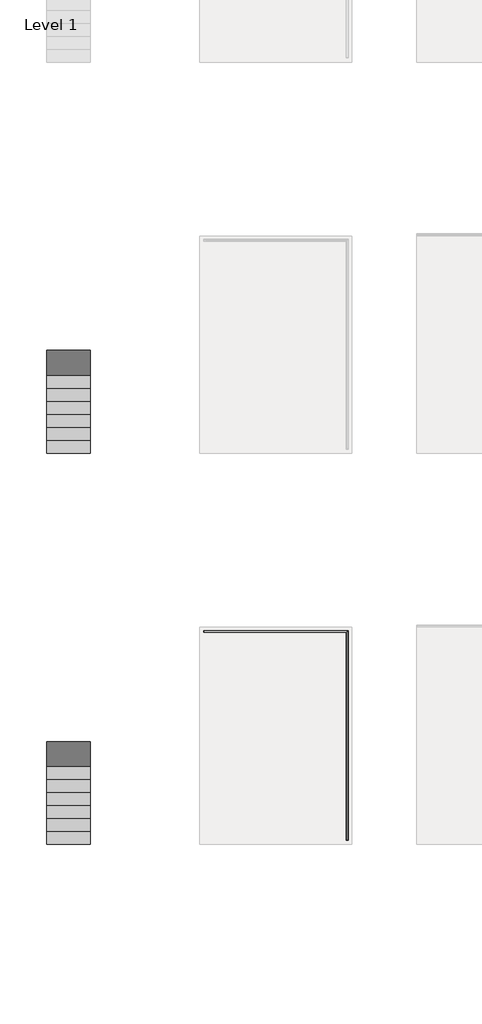
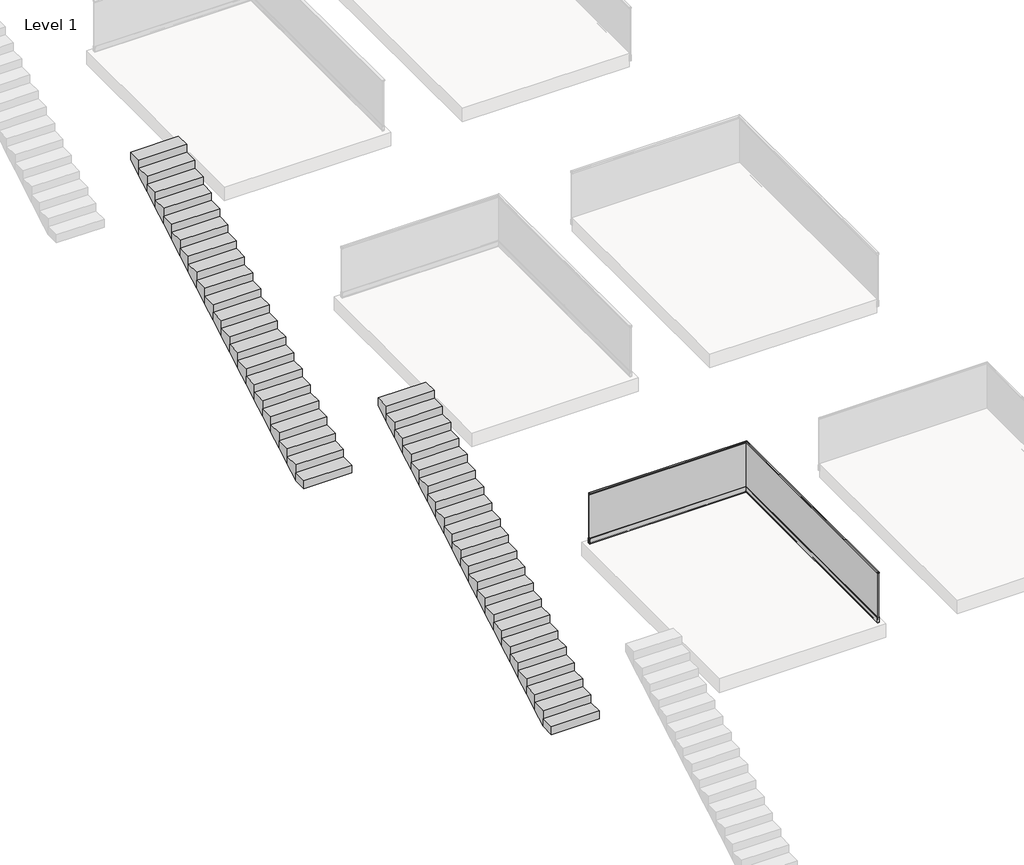
# One storey, part 4 of 11: 2 stair flights, 1 railing.
"""IFC4 building model written with IfcOpenShell, lengths in millimetres."""

from ifc_helpers import new_model, si_unit, frame, origin, place, context, project, spatial, polyline, circle_curve, ellipse_curve, outline, extrude, faceted_brep, element, save
from ifc_brep_helpers import plane_surface, cylinder_surface, revolved_surface, advanced_brep

model = new_model("IFC4")

# Units and contexts
model_context = context("Model", 3, world=origin())
ifc_project = project(units=[si_unit("LENGTHUNIT", "METRE", prefix="MILLI")], contexts=[model_context])

# Site, building, storey
site = spatial("IfcSite", under=ifc_project)
building = spatial("IfcBuilding", under=site)
storey = spatial("IfcBuildingStorey", under=building, Name="Level 1", Elevation=0.0)

# Railing
placement = place(None, origin())
element("IfcRailing", 1, at=placement, inside=storey, context=model_context, shape_type="SolidModel", body=[
    extrude(outline(polyline([(1116.25, -10255.5524845), (1116.25, -10279.5524845), (1095.25, -10279.5524845), (1095.25, -10278.0524845), (1114.75, -10278.0524845), (1114.75, -10257.0524845), (1095.25, -10257.0524845), (1095.25, -10255.5524845), (1116.25, -10255.5524845)])), frame((0.0, -49764.3362173, 0.0), z_axis=(0.0, 1.0, 0.0), x_axis=(0.0, 0.0, 1.0)), (0.0, 0.0, 1.0), 18.0),
    extrude(outline(polyline([(-10253.5524845, -49766.3362173), (-10281.5524845, -49766.3362173), (-10281.5524845, -49764.3362173), (-10253.5524845, -49764.3362173), (-10253.5524845, -49766.3362173)])), frame((0.0, 0.0, 1093.25), z_axis=(0.0, 0.0, 1.0), x_axis=(1.0, 0.0, 0.0)), (0.0, 0.0, 1.0), 25.0),
    extrude(outline(polyline([(-44975.3362173, 1116.25), (-44951.3362173, 1116.25), (-44951.3362173, 1095.25), (-44952.8362173, 1095.25), (-44952.8362173, 1114.75), (-44973.8362173, 1114.75), (-44973.8362173, 1095.25), (-44975.3362173, 1095.25), (-44975.3362173, 1116.25)])), frame((-13568.5524845, 0.0, 0.0), z_axis=(1.0, 0.0, 0.0), x_axis=(0.0, 1.0, 0.0)), (0.0, 0.0, 1.0), 18.0),
    extrude(outline(polyline([(-13570.5524845, -44977.3362173), (-13570.5524845, -44949.3362173), (-13568.5524845, -44949.3362173), (-13568.5524845, -44977.3362173), (-13570.5524845, -44977.3362173)])), frame((0.0, 0.0, 1093.25), z_axis=(0.0, 0.0, 1.0), x_axis=(1.0, 0.0, 0.0)), (0.0, 0.0, 1.0), 25.0),
    faceted_brep([(-10255.5524845, -44951.3362173, 1116.0), (-10255.5524845, -44951.3362173, 1093.5), (-10255.5524845, -49763.3362173, 1093.5), (-10255.5524845, -49763.3362173, 1116.0), (-10279.5524845, -44975.3362173, 1093.5), (-10279.5524845, -44975.3362173, 1116.0), (-10279.5524845, -49763.3362173, 1116.0), (-10279.5524845, -49763.3362173, 1093.5), (-10281.0524845, -44976.8362173, 1093.5), (-10281.0524845, -49763.3362173, 1093.5), (-10281.0524845, -44976.8362173, 1118.0), (-10281.0524845, -49763.3362173, 1118.0), (-10254.0524845, -44949.8362173, 1118.0), (-10254.0524845, -49763.3362173, 1118.0), (-10254.0524845, -44949.8362173, 1093.5), (-10254.0524845, -49763.3362173, 1093.5), (-13567.5524845, -44975.3362173, 1116.0), (-13567.5524845, -44951.3362173, 1116.0), (-13567.5524845, -44975.3362173, 1093.5), (-13567.5524845, -44976.8362173, 1093.5), (-13567.5524845, -44976.8362173, 1118.0), (-13567.5524845, -44949.8362173, 1118.0), (-13567.5524845, -44949.8362173, 1093.5), (-13567.5524845, -44951.3362173, 1093.5), (-13568.5524845, -44951.3362173, 1116.0), (-13568.5524845, -44975.3362173, 1116.0), (-13568.5524845, -44975.3362173, 1093.5), (-13568.5524845, -44976.8362173, 1093.5), (-13568.5524845, -44976.8362173, 1118.0), (-13568.5524845, -44949.8362173, 1118.0), (-13568.5524845, -44949.8362173, 1093.5), (-13568.5524845, -44951.3362173, 1093.5), (-10255.5524845, -49764.3362173, 1116.0), (-10255.5524845, -49764.3362173, 1093.5), (-10254.0524845, -49764.3362173, 1093.5), (-10254.0524845, -49764.3362173, 1118.0), (-10281.0524845, -49764.3362173, 1118.0), (-10281.0524845, -49764.3362173, 1093.5), (-10279.5524845, -49764.3362173, 1093.5), (-10279.5524845, -49764.3362173, 1116.0)], [[[0, 1, 2, 3]], [[4, 5, 6, 7]], [[5, 0, 3, 6]], [[8, 4, 7, 9]], [[10, 8, 9, 11]], [[12, 10, 11, 13]], [[14, 12, 13, 15]], [[1, 14, 15, 2]], [[16, 17, 0, 5]], [[18, 16, 5, 4]], [[19, 18, 4, 8]], [[20, 19, 8, 10]], [[21, 20, 10, 12]], [[22, 21, 12, 14]], [[23, 22, 14, 1]], [[17, 23, 1, 0]], [[24, 25, 26, 27, 28, 29, 30, 31]], [[25, 24, 17, 16]], [[26, 25, 16, 18]], [[27, 26, 18, 19]], [[28, 27, 19, 20]], [[29, 28, 20, 21]], [[30, 29, 21, 22]], [[31, 30, 22, 23]], [[24, 31, 23, 17]], [[32, 33, 34, 35, 36, 37, 38, 39]], [[6, 3, 32, 39]], [[7, 6, 39, 38]], [[9, 7, 38, 37]], [[11, 9, 37, 36]], [[13, 11, 36, 35]], [[15, 13, 35, 34]], [[2, 15, 34, 33]], [[3, 2, 33, 32]]]),
    faceted_brep([(-10258.7924845, -49763.3362173, 1113.0), (-10276.3124845, -49763.3362173, 1113.0), (-10276.3124845, -49763.3362173, 13.0), (-10258.7924845, -49763.3362173, 13.0), (-10276.3124845, -44972.0962173, 1113.0), (-10276.3124845, -44972.0962173, 13.0), (-10258.7924845, -44954.5762173, 1113.0), (-13567.5524845, -44954.5762173, 1113.0), (-13567.5524845, -44954.5762173, 13.0), (-13567.5524845, -44972.0962173, 13.0), (-13567.5524845, -44972.0962173, 1113.0), (-10258.7924845, -44954.5762173, 13.0)], [[[0, 1, 2, 3]], [[4, 5, 2, 1]], [[6, 4, 1, 0]], [[7, 8, 9, 10]], [[10, 9, 5, 4]], [[7, 10, 4, 6]], [[9, 8, 11, 5]], [[8, 7, 6, 11]], [[5, 11, 3, 2]], [[11, 6, 0, 3]]]),
    advanced_brep(
    [(-10288.5524845, -49763.3362173, 120.0004585), (-10288.5524845, -49763.3362173, 0.0), (-10246.5524845, -49763.3362173, 0.0), (-10246.5524845, -49763.3362173, 120.0), (-10252.2524845, -49763.3362173, 120.0), (-10252.2524845, -49763.3362173, 100.0), (-10251.2524845, -49763.3362173, 99.4226497), (-10255.0524845, -49763.3362173, 76.5), (-10255.0524845, -49763.3362173, 11.0), (-10256.0524845, -49763.3362173, 10.0), (-10279.0524845, -49763.3362173, 10.0), (-10280.0524845, -49763.3362173, 11.0), (-10280.0524845, -49763.3362173, 30.0), (-10284.0905991, -49763.3362173, 120.0004585), (-13567.5524845, -44984.3362173, 120.0004585), (-13567.5524845, -44979.8743319, 120.0004585), (-13567.5524845, -44975.8362173, 30.0), (-13567.5524845, -44975.8362173, 11.0), (-13567.5524845, -44974.8362173, 10.0), (-13567.5524845, -44951.8362173, 10.0), (-13567.5524845, -44950.8362173, 11.0), (-13567.5524845, -44950.8362173, 76.5), (-13567.5524845, -44947.0362173, 99.4226497), (-13567.5524845, -44948.0362173, 100.0), (-13567.5524845, -44948.0362173, 120.0), (-13567.5524845, -44942.3362173, 120.0), (-13567.5524845, -44942.3362173, 0.0), (-13567.5524845, -44984.3362173, 0.0), (-10288.5524845, -44984.3362173, 120.0004585), (-10284.0905991, -44979.8743319, 120.0004585), (-10280.0524845, -44975.8362173, 30.0), (-10280.0524845, -44975.8362173, 11.0), (-10279.0524845, -44974.8362173, 10.0), (-10256.0524845, -44951.8362173, 10.0), (-10255.0524845, -44950.8362173, 11.0), (-10255.0524845, -44950.8362173, 76.5), (-10251.2524845, -44947.0362173, 99.4226497), (-10252.2524845, -44948.0362173, 100.0), (-10252.2524845, -44948.0362173, 120.0), (-10246.5524845, -44942.3362173, 120.0), (-10246.5524845, -44942.3362173, 0.0), (-10288.5524845, -44984.3362173, 0.0)],
    [
        (0, 1),
        (1, 2),
        (2, 3),
        (3, 4),
        (4, 5),
        (5, 6),
        (6, 7),
        (7, 8),
        (8, 9, circle_curve(frame((-10256.0524845, -49763.3362173, 11.0), z_axis=(0.0, 1.0, 0.0), x_axis=(1.0, 0.0, 0.0)), 1.0)),
        (9, 10),
        (10, 11, circle_curve(frame((-10279.0524845, -49763.3362173, 11.0), z_axis=(0.0, 1.0, 0.0), x_axis=(1.0, 0.0, 0.0)), 1.0)),
        (11, 12),
        (12, 13),
        (13, 0),
        (14, 15),
        (15, 16),
        (16, 17),
        (17, 18, circle_curve(frame((-13567.5524845, -44974.8362173, 11.0), z_axis=(1.0, 0.0, 0.0), x_axis=(0.0, 1.0, 0.0)), 1.0)),
        (18, 19),
        (19, 20, circle_curve(frame((-13567.5524845, -44951.8362173, 11.0), z_axis=(1.0, 0.0, 0.0), x_axis=(0.0, 1.0, 0.0)), 1.0)),
        (20, 21),
        (21, 22),
        (22, 23),
        (23, 24),
        (24, 25),
        (25, 26),
        (26, 27),
        (27, 14),
        (14, 28),
        (28, 29),
        (29, 15),
        (29, 30),
        (30, 16),
        (30, 31),
        (31, 17),
        (31, 32, ellipse_curve(frame((-10279.0524845, -44974.8362173, 11.0), z_axis=(0.7071067811865457, -0.7071067811865493, 0.0), x_axis=(0.7071067811865492, 0.7071067811865458, 0.0)), 1.4142136, 1.0)),
        (32, 18),
        (32, 33),
        (33, 19),
        (33, 34, ellipse_curve(frame((-10256.0524845, -44951.8362173, 11.0), z_axis=(0.7071067811865457, -0.7071067811865493, 0.0), x_axis=(0.7071067811865492, 0.7071067811865458, 0.0)), 1.4142136, 1.0)),
        (34, 20),
        (34, 35),
        (35, 21),
        (35, 36),
        (36, 22),
        (36, 37),
        (37, 23),
        (37, 38),
        (38, 24),
        (38, 39),
        (39, 25),
        (39, 40),
        (40, 26),
        (40, 41),
        (41, 27),
        (41, 28),
        (28, 0),
        (13, 29),
        (12, 30),
        (11, 31),
        (10, 32),
        (9, 33),
        (8, 34),
        (7, 35),
        (6, 36),
        (5, 37),
        (4, 38),
        (3, 39),
        (2, 40),
        (1, 41),
    ],
    [
        plane_surface(frame((-10267.5524845, -49763.3362173, 0.0), z_axis=(0.0, -1.0, 0.0), x_axis=(0.0, 0.0, -1.0))),
        plane_surface(frame((-13567.5524845, -44963.3362173, 0.0), z_axis=(-1.0, 0.0, 0.0), x_axis=(0.0, 1.0, 0.0))),
        plane_surface(frame((-13567.5524845, -44984.3362173, 120.0004585), z_axis=(0.0, 0.0, 1.0), x_axis=(1.0, 0.0, 0.0))),
        plane_surface(frame((-13567.5524845, -44979.8743319, 120.0004585), z_axis=(0.0, 0.9989949613987466, 0.04482261817338354), x_axis=(1.0, 0.0, 0.0))),
        plane_surface(frame((-13567.5524845, -44975.8362173, 30.0), z_axis=(0.0, 1.0, 0.0), x_axis=(1.0, 0.0, 0.0))),
        revolved_surface(polyline([(-10278.052484473394, -44973.8362173, 11.0), (-13567.5524845, -44973.8362173, 11.0)]), (-13567.5524845, -44974.8362173, 11.0), (1.0, 0.0, 0.0)),
        plane_surface(frame((-13567.5524845, -44974.8362173, 10.0), z_axis=(0.0, 0.0, 1.0), x_axis=(1.0, 0.0, 0.0))),
        revolved_surface(polyline([(-10255.052484473394, -44950.8362173, 11.0), (-13567.5524845, -44950.8362173, 11.0)]), (-13567.5524845, -44951.8362173, 11.0), (1.0, 0.0, 0.0)),
        plane_surface(frame((-13567.5524845, -44950.8362173, 11.0), z_axis=(0.0, -1.0, 0.0), x_axis=(1.0, 0.0, 0.0))),
        plane_surface(frame((-13567.5524845, -44950.8362173, 76.5), z_axis=(0.0, -0.9865362159973996, 0.16354294397965358), x_axis=(1.0, 0.0, 0.0))),
        plane_surface(frame((-13567.5524845, -44947.0362173, 99.4226497), z_axis=(0.0, -0.4999999999996219, -0.866025403784657), x_axis=(1.0, 0.0, 0.0))),
        plane_surface(frame((-13567.5524845, -44948.0362173, 100.0), z_axis=(0.0, -1.0, 0.0), x_axis=(1.0, 0.0, 0.0))),
        plane_surface(frame((-13567.5524845, -44948.0362173, 120.0), z_axis=(0.0, 0.0, 1.0), x_axis=(1.0, 0.0, 0.0))),
        plane_surface(frame((-13567.5524845, -44942.3362173, 120.0), z_axis=(0.0, 1.0, 0.0), x_axis=(1.0, 0.0, 0.0))),
        plane_surface(frame((-13567.5524845, -44942.3362173, 0.0), z_axis=(0.0, 0.0, -1.0), x_axis=(1.0, 0.0, 0.0))),
        plane_surface(frame((-13567.5524845, -44984.3362173, 0.0), z_axis=(0.0, -1.0, 0.0), x_axis=(1.0, 0.0, 0.0))),
        plane_surface(frame((-10288.5524845, -44984.3362173, 120.0004585), z_axis=(0.0, 0.0, 1.0), x_axis=(0.0, -1.0, 0.0))),
        plane_surface(frame((-10284.0905991, -44979.8743319, 120.0004585), z_axis=(0.9989949613987466, 0.0, 0.04482261817338354), x_axis=(0.0, -1.0, 0.0))),
        plane_surface(frame((-10280.0524845, -44975.8362173, 30.0), z_axis=(1.0, 0.0, 0.0), x_axis=(0.0, -1.0, 0.0))),
        revolved_surface(polyline([(-10278.0524845, -49763.3362173, 11.0), (-10278.0524845, -44973.83621727339, 11.0)]), (-10279.0524845, -44963.3362173, 11.0), (0.0, -1.0, 0.0)),
        plane_surface(frame((-10279.0524845, -44974.8362173, 10.0), z_axis=(0.0, 0.0, 1.0), x_axis=(0.0, -1.0, 0.0))),
        revolved_surface(polyline([(-10255.0524845, -49763.3362173, 11.0), (-10255.0524845, -44950.83621727339, 11.0)]), (-10256.0524845, -44963.3362173, 11.0), (0.0, -1.0, 0.0)),
        plane_surface(frame((-10255.0524845, -44950.8362173, 11.0), z_axis=(-1.0, 0.0, 0.0), x_axis=(0.0, -1.0, 0.0))),
        plane_surface(frame((-10255.0524845, -44950.8362173, 76.5), z_axis=(-0.9865362159973996, 0.0, 0.16354294397965358), x_axis=(0.0, -1.0, 0.0))),
        plane_surface(frame((-10251.2524845, -44947.0362173, 99.4226497), z_axis=(-0.4999999999996219, 0.0, -0.866025403784657), x_axis=(0.0, -1.0, 0.0))),
        plane_surface(frame((-10252.2524845, -44948.0362173, 100.0), z_axis=(-1.0, 0.0, 0.0), x_axis=(0.0, -1.0, 0.0))),
        plane_surface(frame((-10252.2524845, -44948.0362173, 120.0), z_axis=(0.0, 0.0, 1.0), x_axis=(0.0, -1.0, 0.0))),
        plane_surface(frame((-10246.5524845, -44942.3362173, 120.0), z_axis=(1.0, 0.0, 0.0), x_axis=(0.0, -1.0, 0.0))),
        plane_surface(frame((-10246.5524845, -44942.3362173, 0.0), z_axis=(0.0, 0.0, -1.0), x_axis=(0.0, -1.0, 0.0))),
        plane_surface(frame((-10288.5524845, -44984.3362173, 0.0), z_axis=(-1.0, 0.0, 0.0), x_axis=(0.0, -1.0, 0.0))),
    ],
    [
        (0, [[1, 2, 3, 4, 5, 6, 7, 8, 9, 10, 11, 12, 13, 14]]),
        (1, [[15, 16, 17, 18, 19, 20, 21, 22, 23, 24, 25, 26, 27, 28]]),
        (2, [[-15, 29, 30, 31]]),
        (3, [[-16, -31, 32, 33]]),
        (4, [[-17, -33, 34, 35]]),
        (5, [[-18, -35, 36, 37]]),
        (6, [[-19, -37, 38, 39]]),
        (7, [[-20, -39, 40, 41]]),
        (8, [[-21, -41, 42, 43]]),
        (9, [[-22, -43, 44, 45]]),
        (10, [[-23, -45, 46, 47]]),
        (11, [[-24, -47, 48, 49]]),
        (12, [[-25, -49, 50, 51]]),
        (13, [[-26, -51, 52, 53]]),
        (14, [[-27, -53, 54, 55]]),
        (15, [[-28, -55, 56, -29]]),
        (16, [[-30, 57, -14, 58]]),
        (17, [[-32, -58, -13, 59]]),
        (18, [[-34, -59, -12, 60]]),
        (19, [[-36, -60, -11, 61]]),
        (20, [[-38, -61, -10, 62]]),
        (21, [[-40, -62, -9, 63]]),
        (22, [[-42, -63, -8, 64]]),
        (23, [[-44, -64, -7, 65]]),
        (24, [[-46, -65, -6, 66]]),
        (25, [[-48, -66, -5, 67]]),
        (26, [[-50, -67, -4, 68]]),
        (27, [[-52, -68, -3, 69]]),
        (28, [[-54, -69, -2, 70]]),
        (29, [[-56, -70, -1, -57]]),
    ],
),
    faceted_brep([(-10280.1367966, -49763.3362173, 36.3411595), (-10278.1615116, -49763.3362173, 36.3411595), (-10278.1615116, -49763.3362173, 88.8444794), (-10282.4925004, -49763.3362173, 88.8444794), (-13567.5524845, -44975.9205294, 36.3411595), (-13567.5524845, -44978.2762332, 88.8444794), (-13567.5524845, -44973.9452444, 88.8444794), (-13567.5524845, -44973.9452444, 36.3411595), (-10280.1367966, -44975.9205294, 36.3411595), (-10282.4925004, -44978.2762332, 88.8444794), (-10278.1615116, -44973.9452444, 88.8444794), (-10278.1615116, -44973.9452444, 36.3411595)], [[[0, 1, 2, 3]], [[4, 5, 6, 7]], [[5, 4, 8, 9]], [[6, 5, 9, 10]], [[7, 6, 10, 11]], [[4, 7, 11, 8]], [[9, 8, 0, 3]], [[10, 9, 3, 2]], [[11, 10, 2, 1]], [[8, 11, 1, 0]]]),
    advanced_brep(
    [(-10283.5054952, -49763.3362173, 111.4218461), (-10282.1516946, -49763.3362173, 108.3554881), (-10279.0780692, -49763.3362173, 108.3554881), (-10278.1024845, -49763.3362173, 109.1358647), (-10278.1024845, -49763.3362173, 121.8767848), (-10278.697889, -49763.3362173, 122.3675984), (-10283.9507934, -49763.3362173, 121.3465372), (-13567.5524845, -44979.289228, 111.4218461), (-13567.5524845, -44979.7345262, 121.3465372), (-13567.5524845, -44974.4816218, 122.3675984), (-13567.5524845, -44973.8862173, 121.8767848), (-13567.5524845, -44973.8862173, 109.1358647), (-13567.5524845, -44974.861802, 108.3554881), (-13567.5524845, -44977.9354274, 108.3554881), (-10283.5054952, -44979.289228, 111.4218461), (-10283.9507934, -44979.7345262, 121.3465372), (-10278.697889, -44974.4816218, 122.3675984), (-10278.1024845, -44973.8862173, 121.8767848), (-10278.1024845, -44973.8862173, 109.1358647), (-10279.0780692, -44974.861802, 108.3554881), (-10282.1516946, -44977.9354274, 108.3554881)],
    [
        (0, 1, circle_curve(frame((-10267.9018545, -49763.3362173, 116.4788401), z_axis=(0.0, -1.0, 0.0), x_axis=(1.0, 0.0, 0.0)), 16.4026458)),
        (1, 2),
        (2, 3, circle_curve(frame((-10279.0780692, -49763.3362173, 109.3554881), z_axis=(0.0, -1.0, 0.0), x_axis=(1.0, 0.0, 0.0)), 1.0)),
        (3, 4),
        (4, 5, circle_curve(frame((-10278.6024845, -49763.3362173, 121.8767848), z_axis=(0.0, -1.0, 0.0), x_axis=(1.0, 0.0, 0.0)), 0.5)),
        (5, 6),
        (6, 0),
        (7, 8),
        (8, 9),
        (9, 10, circle_curve(frame((-13567.5524845, -44974.3862173, 121.8767848), z_axis=(-1.0, 0.0, 0.0), x_axis=(0.0, 1.0, 0.0)), 0.5)),
        (10, 11),
        (11, 12, circle_curve(frame((-13567.5524845, -44974.861802, 109.3554881), z_axis=(-1.0, 0.0, 0.0), x_axis=(0.0, 1.0, 0.0)), 1.0)),
        (12, 13),
        (13, 7, circle_curve(frame((-13567.5524845, -44963.6855874, 116.4788401), z_axis=(-1.0, 0.0, 0.0), x_axis=(0.0, 1.0, 0.0)), 16.4026458)),
        (7, 14),
        (14, 15),
        (15, 8),
        (15, 16),
        (16, 9),
        (16, 17, ellipse_curve(frame((-10278.6024845, -44974.3862173, 121.8767848), z_axis=(-0.7071067811865457, 0.7071067811865493, 0.0), x_axis=(-0.7071067811865492, -0.7071067811865458, 0.0)), 0.7071068, 0.5)),
        (17, 10),
        (17, 18),
        (18, 11),
        (18, 19, ellipse_curve(frame((-10279.0780692, -44974.861802, 109.3554881), z_axis=(-0.7071067811865457, 0.7071067811865493, 0.0), x_axis=(-0.7071067811865492, -0.7071067811865458, 0.0)), 1.4142136, 1.0)),
        (19, 12),
        (19, 20),
        (20, 13),
        (20, 14, ellipse_curve(frame((-10267.9018545, -44963.6855874, 116.4788401), z_axis=(-0.7071067811865457, 0.7071067811865493, 0.0), x_axis=(-0.7071067811865492, -0.7071067811865458, 0.0)), 23.1968442, 16.4026458)),
        (14, 0),
        (6, 15),
        (5, 16),
        (4, 17),
        (3, 18),
        (2, 19),
        (1, 20),
    ],
    [
        plane_surface(frame((-10267.5524845, -49763.3362173, 0.0), z_axis=(0.0, -1.0, 0.0), x_axis=(0.0, 0.0, -1.0))),
        plane_surface(frame((-13567.5524845, -44963.3362173, 0.0), z_axis=(-1.0, 0.0, 0.0), x_axis=(0.0, 1.0, 0.0))),
        plane_surface(frame((-13567.5524845, -44979.289228, 111.4218461), z_axis=(0.0, -0.9989949613987466, -0.04482261817338369), x_axis=(1.0, 0.0, 0.0))),
        plane_surface(frame((-13567.5524845, -44979.7345262, 121.3465372), z_axis=(0.0, -0.19080899537654455, 0.9816271834476641), x_axis=(1.0, 0.0, 0.0))),
        cylinder_surface(frame((-13567.5524845, -44974.3862173, 121.8767848), z_axis=(-1.0, 0.0, 0.0), x_axis=(0.0, 1.0, 0.0)), 0.5),
        plane_surface(frame((-13567.5524845, -44973.8862173, 121.8767848), z_axis=(0.0, 1.0, 0.0), x_axis=(1.0, 0.0, 0.0))),
        cylinder_surface(frame((-13567.5524845, -44974.861802, 109.3554881), z_axis=(-1.0, 0.0, 0.0), x_axis=(0.0, 1.0, 0.0)), 1.0),
        plane_surface(frame((-13567.5524845, -44974.861802, 108.3554881), z_axis=(0.0, 0.0, -1.0), x_axis=(1.0, 0.0, 0.0))),
        cylinder_surface(frame((-13567.5524845, -44963.6855874, 116.4788401), z_axis=(-1.0, 0.0, 0.0), x_axis=(0.0, 1.0, 0.0)), 16.4026458),
        plane_surface(frame((-10283.5054952, -44979.289228, 111.4218461), z_axis=(-0.9989949613987466, 0.0, -0.04482261817338369), x_axis=(0.0, -1.0, 0.0))),
        plane_surface(frame((-10283.9507934, -44979.7345262, 121.3465372), z_axis=(-0.19080899537654455, 0.0, 0.9816271834476641), x_axis=(0.0, -1.0, 0.0))),
        cylinder_surface(frame((-10278.6024845, -44963.3362173, 121.8767848), z_axis=(0.0, 1.0, 0.0), x_axis=(1.0, 0.0, 0.0)), 0.5),
        plane_surface(frame((-10278.1024845, -44973.8862173, 121.8767848), z_axis=(1.0, 0.0, 0.0), x_axis=(0.0, -1.0, 0.0))),
        cylinder_surface(frame((-10279.0780692, -44963.3362173, 109.3554881), z_axis=(0.0, 1.0, 0.0), x_axis=(1.0, 0.0, 0.0)), 1.0),
        plane_surface(frame((-10279.0780692, -44974.861802, 108.3554881), z_axis=(0.0, 0.0, -1.0), x_axis=(0.0, -1.0, 0.0))),
        cylinder_surface(frame((-10267.9018545, -44963.3362173, 116.4788401), z_axis=(0.0, 1.0, 0.0), x_axis=(1.0, 0.0, 0.0)), 16.4026458),
    ],
    [
        (0, [[1, 2, 3, 4, 5, 6, 7]]),
        (1, [[8, 9, 10, 11, 12, 13, 14]]),
        (2, [[-8, 15, 16, 17]]),
        (3, [[-9, -17, 18, 19]]),
        (4, [[-10, -19, 20, 21]]),
        (5, [[-11, -21, 22, 23]]),
        (6, [[-12, -23, 24, 25]]),
        (7, [[-13, -25, 26, 27]]),
        (8, [[-14, -27, 28, -15]]),
        (9, [[-16, 29, -7, 30]]),
        (10, [[-18, -30, -6, 31]]),
        (11, [[-20, -31, -5, 32]]),
        (12, [[-22, -32, -4, 33]]),
        (13, [[-24, -33, -3, 34]]),
        (14, [[-26, -34, -2, 35]]),
        (15, [[-28, -35, -1, -29]]),
    ],
),
    advanced_brep(
    [(-10256.2524845, -49763.3362173, 10.2), (-10255.2524845, -49763.3362173, 11.2), (-10255.2524845, -49763.3362173, 76.5164651), (-10251.4724455, -49763.3362173, 99.3187042), (-10252.4524845, -49763.3362173, 99.8845299), (-10252.4524845, -49763.3362173, 120.914931), (-10256.1283203, -49763.3362173, 123.0824789), (-10257.0024845, -49763.3362173, 122.7508146), (-10257.0024845, -49763.3362173, 12.0), (-10277.8654461, -49763.3362173, 12.0), (-10278.1509663, -49763.3362173, 10.2), (-13567.5524845, -44952.0362173, 10.2), (-13567.5524845, -44973.9346992, 10.2), (-13567.5524845, -44973.649179, 12.0), (-13567.5524845, -44952.7862173, 12.0), (-13567.5524845, -44952.7862173, 122.7508146), (-13567.5524845, -44951.9120532, 123.0824789), (-13567.5524845, -44948.2362173, 120.914931), (-13567.5524845, -44948.2362173, 99.8845299), (-13567.5524845, -44947.2561784, 99.3187042), (-13567.5524845, -44951.0362173, 76.5164651), (-13567.5524845, -44951.0362173, 11.2), (-10256.2524845, -44952.0362173, 10.2), (-10278.1509663, -44973.9346992, 10.2), (-10277.8654461, -44973.649179, 12.0), (-10257.0024845, -44952.7862173, 12.0), (-10257.0024845, -44952.7862173, 122.7508146), (-10256.1283203, -44951.9120532, 123.0824789), (-10252.4524845, -44948.2362173, 120.914931), (-10252.4524845, -44948.2362173, 99.8845299), (-10251.4724455, -44947.2561784, 99.3187042), (-10255.2524845, -44951.0362173, 76.5164651), (-10255.2524845, -44951.0362173, 11.2)],
    [
        (0, 1, circle_curve(frame((-10256.2524845, -49763.3362173, 11.2), z_axis=(0.0, -1.0, 0.0), x_axis=(1.0, 0.0, 0.0)), 1.0)),
        (1, 2),
        (2, 3),
        (3, 4),
        (4, 5),
        (5, 6, circle_curve(frame((-10250.9387724, -49763.3362173, 127.6825664), z_axis=(0.0, 1.0, 0.0), x_axis=(1.0, 0.0, 0.0)), 6.9348549)),
        (6, 7, circle_curve(frame((-10256.5024845, -49763.3362173, 122.7508146), z_axis=(0.0, -1.0, 0.0), x_axis=(1.0, 0.0, 0.0)), 0.5)),
        (7, 8),
        (8, 9),
        (9, 10, circle_curve(frame((-10277.4940214, -49763.3362173, 11.0184388), z_axis=(0.0, -1.0, 0.0), x_axis=(1.0, 0.0, 0.0)), 1.049485)),
        (10, 0),
        (11, 12),
        (12, 13, circle_curve(frame((-13567.5524845, -44973.2777543, 11.0184388), z_axis=(-1.0, 0.0, 0.0), x_axis=(0.0, 1.0, 0.0)), 1.049485)),
        (13, 14),
        (14, 15),
        (15, 16, circle_curve(frame((-13567.5524845, -44952.2862173, 122.7508146), z_axis=(-1.0, 0.0, 0.0), x_axis=(0.0, 1.0, 0.0)), 0.5)),
        (16, 17, circle_curve(frame((-13567.5524845, -44946.7225052, 127.6825664), z_axis=(1.0, 0.0, 0.0), x_axis=(0.0, 1.0, 0.0)), 6.9348549)),
        (17, 18),
        (18, 19),
        (19, 20),
        (20, 21),
        (21, 11, circle_curve(frame((-13567.5524845, -44952.0362173, 11.2), z_axis=(-1.0, 0.0, 0.0), x_axis=(0.0, 1.0, 0.0)), 1.0)),
        (11, 22),
        (22, 23),
        (23, 12),
        (23, 24, ellipse_curve(frame((-10277.4940214, -44973.2777543, 11.0184388), z_axis=(-0.7071067811865457, 0.7071067811865493, 0.0), x_axis=(-0.7071067811865492, -0.7071067811865458, 0.0)), 1.4841959, 1.049485)),
        (24, 13),
        (24, 25),
        (25, 14),
        (25, 26),
        (26, 15),
        (26, 27, ellipse_curve(frame((-10256.5024845, -44952.2862173, 122.7508146), z_axis=(-0.7071067811865457, 0.7071067811865493, 0.0), x_axis=(-0.7071067811865492, -0.7071067811865458, 0.0)), 0.7071068, 0.5)),
        (27, 16),
        (27, 28, ellipse_curve(frame((-10250.9387724, -44946.7225052, 127.6825664), z_axis=(0.7071067811865457, -0.7071067811865493, 0.0), x_axis=(0.7071067811865492, 0.7071067811865458, 0.0)), 9.8073659, 6.9348549)),
        (28, 17),
        (28, 29),
        (29, 18),
        (29, 30),
        (30, 19),
        (30, 31),
        (31, 20),
        (31, 32),
        (32, 21),
        (32, 22, ellipse_curve(frame((-10256.2524845, -44952.0362173, 11.2), z_axis=(-0.7071067811865457, 0.7071067811865493, 0.0), x_axis=(-0.7071067811865492, -0.7071067811865458, 0.0)), 1.4142136, 1.0)),
        (22, 0),
        (10, 23),
        (9, 24),
        (8, 25),
        (7, 26),
        (6, 27),
        (5, 28),
        (4, 29),
        (3, 30),
        (2, 31),
        (1, 32),
    ],
    [
        plane_surface(frame((-10267.5524845, -49763.3362173, 0.0), z_axis=(0.0, -1.0, 0.0), x_axis=(0.0, 0.0, -1.0))),
        plane_surface(frame((-13567.5524845, -44963.3362173, 0.0), z_axis=(-1.0, 0.0, 0.0), x_axis=(0.0, 1.0, 0.0))),
        plane_surface(frame((-13567.5524845, -44952.0362173, 10.2), z_axis=(0.0, 0.0, -1.0), x_axis=(1.0, 0.0, 0.0))),
        cylinder_surface(frame((-13567.5524845, -44973.2777543, 11.0184388), z_axis=(-1.0, 0.0, 0.0), x_axis=(0.0, 1.0, 0.0)), 1.049485),
        plane_surface(frame((-13567.5524845, -44973.649179, 12.0), z_axis=(0.0, 0.0, 1.0), x_axis=(1.0, 0.0, 0.0))),
        plane_surface(frame((-13567.5524845, -44952.7862173, 12.0), z_axis=(0.0, -1.0, 0.0), x_axis=(1.0, 0.0, 0.0))),
        cylinder_surface(frame((-13567.5524845, -44952.2862173, 122.7508146), z_axis=(-1.0, 0.0, 0.0), x_axis=(0.0, 1.0, 0.0)), 0.5),
        revolved_surface(polyline([(-10244.003917466533, -44939.7876503, 127.6825664), (-13567.5524845, -44939.7876503, 127.6825664)]), (-13567.5524845, -44946.7225052, 127.6825664), (1.0, 0.0, 0.0)),
        plane_surface(frame((-13567.5524845, -44948.2362173, 120.914931), z_axis=(0.0, 1.0, 0.0), x_axis=(1.0, 0.0, 0.0))),
        plane_surface(frame((-13567.5524845, -44948.2362173, 99.8845299), z_axis=(0.0, 0.4999999999996261, 0.8660254037846546), x_axis=(1.0, 0.0, 0.0))),
        plane_surface(frame((-13567.5524845, -44947.2561784, 99.3187042), z_axis=(0.0, 0.9865362159973996, -0.16354294397965363), x_axis=(1.0, 0.0, 0.0))),
        plane_surface(frame((-13567.5524845, -44951.0362173, 76.5164651), z_axis=(0.0, 1.0, 0.0), x_axis=(1.0, 0.0, 0.0))),
        cylinder_surface(frame((-13567.5524845, -44952.0362173, 11.2), z_axis=(-1.0, 0.0, 0.0), x_axis=(0.0, 1.0, 0.0)), 1.0),
        plane_surface(frame((-10256.2524845, -44952.0362173, 10.2), z_axis=(0.0, 0.0, -1.0), x_axis=(0.0, -1.0, 0.0))),
        cylinder_surface(frame((-10277.4940214, -44963.3362173, 11.0184388), z_axis=(0.0, 1.0, 0.0), x_axis=(1.0, 0.0, 0.0)), 1.049485),
        plane_surface(frame((-10277.8654461, -44973.649179, 12.0), z_axis=(0.0, 0.0, 1.0), x_axis=(0.0, -1.0, 0.0))),
        plane_surface(frame((-10257.0024845, -44952.7862173, 12.0), z_axis=(-1.0, 0.0, 0.0), x_axis=(0.0, -1.0, 0.0))),
        cylinder_surface(frame((-10256.5024845, -44963.3362173, 122.7508146), z_axis=(0.0, 1.0, 0.0), x_axis=(1.0, 0.0, 0.0)), 0.5),
        revolved_surface(polyline([(-10244.0039175, -49763.3362173, 127.6825664), (-10244.0039175, -44939.78765026653, 127.6825664)]), (-10250.9387724, -44963.3362173, 127.6825664), (0.0, -1.0, 0.0)),
        plane_surface(frame((-10252.4524845, -44948.2362173, 120.914931), z_axis=(1.0, 0.0, 0.0), x_axis=(0.0, -1.0, 0.0))),
        plane_surface(frame((-10252.4524845, -44948.2362173, 99.8845299), z_axis=(0.4999999999996261, 0.0, 0.8660254037846546), x_axis=(0.0, -1.0, 0.0))),
        plane_surface(frame((-10251.4724455, -44947.2561784, 99.3187042), z_axis=(0.9865362159973996, 0.0, -0.16354294397965363), x_axis=(0.0, -1.0, 0.0))),
        plane_surface(frame((-10255.2524845, -44951.0362173, 76.5164651), z_axis=(1.0, 0.0, 0.0), x_axis=(0.0, -1.0, 0.0))),
        cylinder_surface(frame((-10256.2524845, -44963.3362173, 11.2), z_axis=(0.0, 1.0, 0.0), x_axis=(1.0, 0.0, 0.0)), 1.0),
    ],
    [
        (0, [[1, 2, 3, 4, 5, 6, 7, 8, 9, 10, 11]]),
        (1, [[12, 13, 14, 15, 16, 17, 18, 19, 20, 21, 22]]),
        (2, [[-12, 23, 24, 25]]),
        (3, [[-13, -25, 26, 27]]),
        (4, [[-14, -27, 28, 29]]),
        (5, [[-15, -29, 30, 31]]),
        (6, [[-16, -31, 32, 33]]),
        (7, [[-17, -33, 34, 35]]),
        (8, [[-18, -35, 36, 37]]),
        (9, [[-19, -37, 38, 39]]),
        (10, [[-20, -39, 40, 41]]),
        (11, [[-21, -41, 42, 43]]),
        (12, [[-22, -43, 44, -23]]),
        (13, [[-24, 45, -11, 46]]),
        (14, [[-26, -46, -10, 47]]),
        (15, [[-28, -47, -9, 48]]),
        (16, [[-30, -48, -8, 49]]),
        (17, [[-32, -49, -7, 50]]),
        (18, [[-34, -50, -6, 51]]),
        (19, [[-36, -51, -5, 52]]),
        (20, [[-38, -52, -4, 53]]),
        (21, [[-40, -53, -3, 54]]),
        (22, [[-42, -54, -2, 55]]),
        (23, [[-44, -55, -1, -45]]),
    ],
),
    extrude(outline(polyline([(-10246.5524845, -49766.3362173), (-10288.5524845, -49766.3362173), (-10288.5524845, -49763.3362173), (-10246.5524845, -49763.3362173), (-10246.5524845, -49766.3362173)])), frame((0.0, 0.0, -1.0), z_axis=(0.0, 0.0, 1.0), x_axis=(1.0, 0.0, 0.0)), (0.0, 0.0, 1.0), 120.0),
    extrude(outline(polyline([(-13567.5524845, -44942.3362173), (-13567.5524845, -44984.3362173), (-13570.5524845, -44984.3362173), (-13570.5524845, -44942.3362173), (-13567.5524845, -44942.3362173)])), frame((0.0, 0.0, -1.0), z_axis=(0.0, 0.0, 1.0), x_axis=(1.0, 0.0, 0.0)), (0.0, 0.0, 1.0), 120.0),
])

# Stair flights
element("IfcStairFlight", 2, at=placement, inside=storey, context=model_context, shape_type="Brep", body=[
    faceted_brep([(-17189.3694741, -40563.9305034, 173.9130435), (-17189.3694741, -40863.9305034, 173.9130435), (-16189.3694741, -40863.9305034, 173.9130435), (-16189.3694741, -40563.9305034, 173.9130435), (-17189.3694741, -40563.9305034, 0.530701), (-17189.3694741, -40564.8459626, 0.0), (-17189.3694741, -40863.9305034, 0.0), (-16189.3694741, -40863.9305034, 0.0), (-16189.3694741, -40564.8459626, 0.0), (-16189.3694741, -40563.9305034, 0.530701), (-17189.3694741, -40263.9305034, 347.826087), (-17189.3694741, -40563.9305034, 347.826087), (-16189.3694741, -40563.9305034, 347.826087), (-16189.3694741, -40263.9305034, 347.826087), (-17189.3694741, -40263.9305034, 174.4437445), (-16189.3694741, -40263.9305034, 174.4437445), (-17189.3694741, -39963.9305034, 521.7391304), (-17189.3694741, -40263.9305034, 521.7391304), (-16189.3694741, -40263.9305034, 521.7391304), (-16189.3694741, -39963.9305034, 521.7391304), (-17189.3694741, -39963.9305034, 348.356788), (-16189.3694741, -39963.9305034, 348.356788), (-17189.3694741, -39663.9305034, 695.6521739), (-17189.3694741, -39963.9305034, 695.6521739), (-16189.3694741, -39963.9305034, 695.6521739), (-16189.3694741, -39663.9305034, 695.6521739), (-17189.3694741, -39663.9305034, 522.2698315), (-16189.3694741, -39663.9305034, 522.2698315), (-17189.3694741, -39363.9305034, 869.5652174), (-17189.3694741, -39663.9305034, 869.5652174), (-16189.3694741, -39663.9305034, 869.5652174), (-16189.3694741, -39363.9305034, 869.5652174), (-17189.3694741, -39363.9305034, 696.1828749), (-16189.3694741, -39363.9305034, 696.1828749), (-17189.3694741, -39063.9305034, 1043.4782609), (-17189.3694741, -39363.9305034, 1043.4782609), (-16189.3694741, -39363.9305034, 1043.4782609), (-16189.3694741, -39063.9305034, 1043.4782609), (-17189.3694741, -39063.9305034, 870.0959184), (-16189.3694741, -39063.9305034, 870.0959184), (-17189.3694741, -38763.9305034, 1217.3913043), (-17189.3694741, -39063.9305034, 1217.3913043), (-16189.3694741, -39063.9305034, 1217.3913043), (-16189.3694741, -38763.9305034, 1217.3913043), (-17189.3694741, -38763.9305034, 1044.0089619), (-16189.3694741, -38763.9305034, 1044.0089619), (-17189.3694741, -38463.9305034, 1391.3043478), (-17189.3694741, -38763.9305034, 1391.3043478), (-16189.3694741, -38763.9305034, 1391.3043478), (-16189.3694741, -38463.9305034, 1391.3043478), (-17189.3694741, -38463.9305034, 1217.9220054), (-16189.3694741, -38463.9305034, 1217.9220054), (-17189.3694741, -38163.9305034, 1565.2173913), (-17189.3694741, -38463.9305034, 1565.2173913), (-16189.3694741, -38463.9305034, 1565.2173913), (-16189.3694741, -38163.9305034, 1565.2173913), (-17189.3694741, -38163.9305034, 1391.8350489), (-16189.3694741, -38163.9305034, 1391.8350489), (-17189.3694741, -37863.9305034, 1739.1304348), (-17189.3694741, -38163.9305034, 1739.1304348), (-16189.3694741, -38163.9305034, 1739.1304348), (-16189.3694741, -37863.9305034, 1739.1304348), (-17189.3694741, -37863.9305034, 1565.7480923), (-16189.3694741, -37863.9305034, 1565.7480923), (-17189.3694741, -37563.9305034, 1913.0434783), (-17189.3694741, -37863.9305034, 1913.0434783), (-16189.3694741, -37863.9305034, 1913.0434783), (-16189.3694741, -37563.9305034, 1913.0434783), (-17189.3694741, -37563.9305034, 1739.6611358), (-16189.3694741, -37563.9305034, 1739.6611358), (-17189.3694741, -37263.9305034, 2086.9565217), (-17189.3694741, -37563.9305034, 2086.9565217), (-16189.3694741, -37563.9305034, 2086.9565217), (-16189.3694741, -37263.9305034, 2086.9565217), (-17189.3694741, -37263.9305034, 1913.5741793), (-16189.3694741, -37263.9305034, 1913.5741793), (-17189.3694741, -36963.9305034, 2260.8695652), (-17189.3694741, -37263.9305034, 2260.8695652), (-16189.3694741, -37263.9305034, 2260.8695652), (-16189.3694741, -36963.9305034, 2260.8695652), (-17189.3694741, -36963.9305034, 2087.4872228), (-16189.3694741, -36963.9305034, 2087.4872228), (-17189.3694741, -36663.9305034, 2434.7826087), (-17189.3694741, -36963.9305034, 2434.7826087), (-16189.3694741, -36963.9305034, 2434.7826087), (-16189.3694741, -36663.9305034, 2434.7826087), (-17189.3694741, -36663.9305034, 2261.4002662), (-16189.3694741, -36663.9305034, 2261.4002662), (-17189.3694741, -36363.9305034, 2608.6956522), (-17189.3694741, -36663.9305034, 2608.6956522), (-16189.3694741, -36663.9305034, 2608.6956522), (-16189.3694741, -36363.9305034, 2608.6956522), (-17189.3694741, -36363.9305034, 2435.3133097), (-16189.3694741, -36363.9305034, 2435.3133097), (-17189.3694741, -36063.9305034, 2782.6086957), (-17189.3694741, -36363.9305034, 2782.6086957), (-16189.3694741, -36363.9305034, 2782.6086957), (-16189.3694741, -36063.9305034, 2782.6086957), (-17189.3694741, -36063.9305034, 2609.2263532), (-16189.3694741, -36063.9305034, 2609.2263532), (-17189.3694741, -35763.9305034, 2956.5217391), (-17189.3694741, -36063.9305034, 2956.5217391), (-16189.3694741, -36063.9305034, 2956.5217391), (-16189.3694741, -35763.9305034, 2956.5217391), (-17189.3694741, -35763.9305034, 2783.1393967), (-16189.3694741, -35763.9305034, 2783.1393967), (-17189.3694741, -35463.9305034, 3130.4347826), (-17189.3694741, -35763.9305034, 3130.4347826), (-16189.3694741, -35763.9305034, 3130.4347826), (-16189.3694741, -35463.9305034, 3130.4347826), (-17189.3694741, -35463.9305034, 2957.0524402), (-16189.3694741, -35463.9305034, 2957.0524402), (-17189.3694741, -35163.9305034, 3304.3478261), (-17189.3694741, -35463.9305034, 3304.3478261), (-16189.3694741, -35463.9305034, 3304.3478261), (-16189.3694741, -35163.9305034, 3304.3478261), (-17189.3694741, -35163.9305034, 3130.9654836), (-16189.3694741, -35163.9305034, 3130.9654836), (-17189.3694741, -34863.9305034, 3478.2608696), (-17189.3694741, -35163.9305034, 3478.2608696), (-16189.3694741, -35163.9305034, 3478.2608696), (-16189.3694741, -34863.9305034, 3478.2608696), (-17189.3694741, -34863.9305034, 3304.8785271), (-16189.3694741, -34863.9305034, 3304.8785271), (-17189.3694741, -34563.9305034, 3652.173913), (-17189.3694741, -34863.9305034, 3652.173913), (-16189.3694741, -34863.9305034, 3652.173913), (-16189.3694741, -34563.9305034, 3652.173913), (-17189.3694741, -34563.9305034, 3478.7915706), (-16189.3694741, -34563.9305034, 3478.7915706)], [[[0, 1, 2, 3]], [[1, 0, 4, 5, 6]], [[2, 1, 6, 7]], [[3, 2, 7, 8, 9]], [[10, 11, 12, 13]], [[11, 10, 14, 4, 0]], [[0, 3, 12, 11]], [[13, 12, 3, 9, 15]], [[16, 17, 18, 19]], [[17, 16, 20, 14, 10]], [[10, 13, 18, 17]], [[19, 18, 13, 15, 21]], [[22, 23, 24, 25]], [[23, 22, 26, 20, 16]], [[16, 19, 24, 23]], [[25, 24, 19, 21, 27]], [[28, 29, 30, 31]], [[29, 28, 32, 26, 22]], [[22, 25, 30, 29]], [[31, 30, 25, 27, 33]], [[34, 35, 36, 37]], [[35, 34, 38, 32, 28]], [[28, 31, 36, 35]], [[37, 36, 31, 33, 39]], [[40, 41, 42, 43]], [[41, 40, 44, 38, 34]], [[34, 37, 42, 41]], [[43, 42, 37, 39, 45]], [[46, 47, 48, 49]], [[47, 46, 50, 44, 40]], [[40, 43, 48, 47]], [[49, 48, 43, 45, 51]], [[52, 53, 54, 55]], [[53, 52, 56, 50, 46]], [[46, 49, 54, 53]], [[55, 54, 49, 51, 57]], [[58, 59, 60, 61]], [[59, 58, 62, 56, 52]], [[52, 55, 60, 59]], [[61, 60, 55, 57, 63]], [[64, 65, 66, 67]], [[65, 64, 68, 62, 58]], [[58, 61, 66, 65]], [[67, 66, 61, 63, 69]], [[70, 71, 72, 73]], [[71, 70, 74, 68, 64]], [[64, 67, 72, 71]], [[73, 72, 67, 69, 75]], [[76, 77, 78, 79]], [[77, 76, 80, 74, 70]], [[70, 73, 78, 77]], [[79, 78, 73, 75, 81]], [[82, 83, 84, 85]], [[83, 82, 86, 80, 76]], [[76, 79, 84, 83]], [[85, 84, 79, 81, 87]], [[88, 89, 90, 91]], [[89, 88, 92, 86, 82]], [[82, 85, 90, 89]], [[91, 90, 85, 87, 93]], [[94, 95, 96, 97]], [[95, 94, 98, 92, 88]], [[88, 91, 96, 95]], [[97, 96, 91, 93, 99]], [[100, 101, 102, 103]], [[101, 100, 104, 98, 94]], [[94, 97, 102, 101]], [[103, 102, 97, 99, 105]], [[106, 107, 108, 109]], [[107, 106, 110, 104, 100]], [[100, 103, 108, 107]], [[109, 108, 103, 105, 111]], [[112, 113, 114, 115]], [[113, 112, 116, 110, 106]], [[106, 109, 114, 113]], [[115, 114, 109, 111, 117]], [[118, 119, 120, 121]], [[119, 118, 122, 116, 112]], [[112, 115, 120, 119]], [[121, 120, 115, 117, 123]], [[124, 125, 126, 127]], [[125, 124, 128, 122, 118]], [[118, 121, 126, 125]], [[127, 126, 121, 123, 129]], [[124, 127, 129, 128]], [[7, 6, 5, 8]], [[8, 5, 4, 14, 20, 26, 32, 38, 44, 50, 56, 62, 68, 74, 80, 86, 92, 98, 104, 110, 116, 122, 128, 129, 123, 117, 111, 105, 99, 93, 87, 81, 75, 69, 63, 57, 51, 45, 39, 33, 27, 21, 15, 9]]]),
])
element("IfcStairFlight", 3, at=placement, inside=storey, context=model_context, shape_type="Brep", body=[
    faceted_brep([(-17189.3694741, -49563.9305034, 173.9130435), (-17189.3694741, -49863.9305034, 173.9130435), (-16189.3694741, -49863.9305034, 173.9130435), (-16189.3694741, -49563.9305034, 173.9130435), (-17189.3694741, -49563.9305034, 0.530701), (-17189.3694741, -49564.8459626, 0.0), (-17189.3694741, -49863.9305034, 0.0), (-16189.3694741, -49863.9305034, 0.0), (-16189.3694741, -49564.8459626, 0.0), (-16189.3694741, -49563.9305034, 0.530701), (-17189.3694741, -49263.9305034, 347.826087), (-17189.3694741, -49563.9305034, 347.826087), (-16189.3694741, -49563.9305034, 347.826087), (-16189.3694741, -49263.9305034, 347.826087), (-17189.3694741, -49263.9305034, 174.4437445), (-16189.3694741, -49263.9305034, 174.4437445), (-17189.3694741, -48963.9305034, 521.7391304), (-17189.3694741, -49263.9305034, 521.7391304), (-16189.3694741, -49263.9305034, 521.7391304), (-16189.3694741, -48963.9305034, 521.7391304), (-17189.3694741, -48963.9305034, 348.356788), (-16189.3694741, -48963.9305034, 348.356788), (-17189.3694741, -48663.9305034, 695.6521739), (-17189.3694741, -48963.9305034, 695.6521739), (-16189.3694741, -48963.9305034, 695.6521739), (-16189.3694741, -48663.9305034, 695.6521739), (-17189.3694741, -48663.9305034, 522.2698315), (-16189.3694741, -48663.9305034, 522.2698315), (-17189.3694741, -48363.9305034, 869.5652174), (-17189.3694741, -48663.9305034, 869.5652174), (-16189.3694741, -48663.9305034, 869.5652174), (-16189.3694741, -48363.9305034, 869.5652174), (-17189.3694741, -48363.9305034, 696.1828749), (-16189.3694741, -48363.9305034, 696.1828749), (-17189.3694741, -48063.9305034, 1043.4782609), (-17189.3694741, -48363.9305034, 1043.4782609), (-16189.3694741, -48363.9305034, 1043.4782609), (-16189.3694741, -48063.9305034, 1043.4782609), (-17189.3694741, -48063.9305034, 870.0959184), (-16189.3694741, -48063.9305034, 870.0959184), (-17189.3694741, -47763.9305034, 1217.3913043), (-17189.3694741, -48063.9305034, 1217.3913043), (-16189.3694741, -48063.9305034, 1217.3913043), (-16189.3694741, -47763.9305034, 1217.3913043), (-17189.3694741, -47763.9305034, 1044.0089619), (-16189.3694741, -47763.9305034, 1044.0089619), (-17189.3694741, -47463.9305034, 1391.3043478), (-17189.3694741, -47763.9305034, 1391.3043478), (-16189.3694741, -47763.9305034, 1391.3043478), (-16189.3694741, -47463.9305034, 1391.3043478), (-17189.3694741, -47463.9305034, 1217.9220054), (-16189.3694741, -47463.9305034, 1217.9220054), (-17189.3694741, -47163.9305034, 1565.2173913), (-17189.3694741, -47463.9305034, 1565.2173913), (-16189.3694741, -47463.9305034, 1565.2173913), (-16189.3694741, -47163.9305034, 1565.2173913), (-17189.3694741, -47163.9305034, 1391.8350489), (-16189.3694741, -47163.9305034, 1391.8350489), (-17189.3694741, -46863.9305034, 1739.1304348), (-17189.3694741, -47163.9305034, 1739.1304348), (-16189.3694741, -47163.9305034, 1739.1304348), (-16189.3694741, -46863.9305034, 1739.1304348), (-17189.3694741, -46863.9305034, 1565.7480923), (-16189.3694741, -46863.9305034, 1565.7480923), (-17189.3694741, -46563.9305034, 1913.0434783), (-17189.3694741, -46863.9305034, 1913.0434783), (-16189.3694741, -46863.9305034, 1913.0434783), (-16189.3694741, -46563.9305034, 1913.0434783), (-17189.3694741, -46563.9305034, 1739.6611358), (-16189.3694741, -46563.9305034, 1739.6611358), (-17189.3694741, -46263.9305034, 2086.9565217), (-17189.3694741, -46563.9305034, 2086.9565217), (-16189.3694741, -46563.9305034, 2086.9565217), (-16189.3694741, -46263.9305034, 2086.9565217), (-17189.3694741, -46263.9305034, 1913.5741793), (-16189.3694741, -46263.9305034, 1913.5741793), (-17189.3694741, -45963.9305034, 2260.8695652), (-17189.3694741, -46263.9305034, 2260.8695652), (-16189.3694741, -46263.9305034, 2260.8695652), (-16189.3694741, -45963.9305034, 2260.8695652), (-17189.3694741, -45963.9305034, 2087.4872228), (-16189.3694741, -45963.9305034, 2087.4872228), (-17189.3694741, -45663.9305034, 2434.7826087), (-17189.3694741, -45963.9305034, 2434.7826087), (-16189.3694741, -45963.9305034, 2434.7826087), (-16189.3694741, -45663.9305034, 2434.7826087), (-17189.3694741, -45663.9305034, 2261.4002662), (-16189.3694741, -45663.9305034, 2261.4002662), (-17189.3694741, -45363.9305034, 2608.6956522), (-17189.3694741, -45663.9305034, 2608.6956522), (-16189.3694741, -45663.9305034, 2608.6956522), (-16189.3694741, -45363.9305034, 2608.6956522), (-17189.3694741, -45363.9305034, 2435.3133097), (-16189.3694741, -45363.9305034, 2435.3133097), (-17189.3694741, -45063.9305034, 2782.6086957), (-17189.3694741, -45363.9305034, 2782.6086957), (-16189.3694741, -45363.9305034, 2782.6086957), (-16189.3694741, -45063.9305034, 2782.6086957), (-17189.3694741, -45063.9305034, 2609.2263532), (-16189.3694741, -45063.9305034, 2609.2263532), (-17189.3694741, -44763.9305034, 2956.5217391), (-17189.3694741, -45063.9305034, 2956.5217391), (-16189.3694741, -45063.9305034, 2956.5217391), (-16189.3694741, -44763.9305034, 2956.5217391), (-17189.3694741, -44763.9305034, 2783.1393967), (-16189.3694741, -44763.9305034, 2783.1393967), (-17189.3694741, -44463.9305034, 3130.4347826), (-17189.3694741, -44763.9305034, 3130.4347826), (-16189.3694741, -44763.9305034, 3130.4347826), (-16189.3694741, -44463.9305034, 3130.4347826), (-17189.3694741, -44463.9305034, 2957.0524402), (-16189.3694741, -44463.9305034, 2957.0524402), (-17189.3694741, -44163.9305034, 3304.3478261), (-17189.3694741, -44463.9305034, 3304.3478261), (-16189.3694741, -44463.9305034, 3304.3478261), (-16189.3694741, -44163.9305034, 3304.3478261), (-17189.3694741, -44163.9305034, 3130.9654836), (-16189.3694741, -44163.9305034, 3130.9654836), (-17189.3694741, -43863.9305034, 3478.2608696), (-17189.3694741, -44163.9305034, 3478.2608696), (-16189.3694741, -44163.9305034, 3478.2608696), (-16189.3694741, -43863.9305034, 3478.2608696), (-17189.3694741, -43863.9305034, 3304.8785271), (-16189.3694741, -43863.9305034, 3304.8785271), (-17189.3694741, -43563.9305034, 3652.173913), (-17189.3694741, -43863.9305034, 3652.173913), (-16189.3694741, -43863.9305034, 3652.173913), (-16189.3694741, -43563.9305034, 3652.173913), (-17189.3694741, -43563.9305034, 3478.7915706), (-16189.3694741, -43563.9305034, 3478.7915706)], [[[0, 1, 2, 3]], [[1, 0, 4, 5, 6]], [[2, 1, 6, 7]], [[3, 2, 7, 8, 9]], [[10, 11, 12, 13]], [[11, 10, 14, 4, 0]], [[0, 3, 12, 11]], [[13, 12, 3, 9, 15]], [[16, 17, 18, 19]], [[17, 16, 20, 14, 10]], [[10, 13, 18, 17]], [[19, 18, 13, 15, 21]], [[22, 23, 24, 25]], [[23, 22, 26, 20, 16]], [[16, 19, 24, 23]], [[25, 24, 19, 21, 27]], [[28, 29, 30, 31]], [[29, 28, 32, 26, 22]], [[22, 25, 30, 29]], [[31, 30, 25, 27, 33]], [[34, 35, 36, 37]], [[35, 34, 38, 32, 28]], [[28, 31, 36, 35]], [[37, 36, 31, 33, 39]], [[40, 41, 42, 43]], [[41, 40, 44, 38, 34]], [[34, 37, 42, 41]], [[43, 42, 37, 39, 45]], [[46, 47, 48, 49]], [[47, 46, 50, 44, 40]], [[40, 43, 48, 47]], [[49, 48, 43, 45, 51]], [[52, 53, 54, 55]], [[53, 52, 56, 50, 46]], [[46, 49, 54, 53]], [[55, 54, 49, 51, 57]], [[58, 59, 60, 61]], [[59, 58, 62, 56, 52]], [[52, 55, 60, 59]], [[61, 60, 55, 57, 63]], [[64, 65, 66, 67]], [[65, 64, 68, 62, 58]], [[58, 61, 66, 65]], [[67, 66, 61, 63, 69]], [[70, 71, 72, 73]], [[71, 70, 74, 68, 64]], [[64, 67, 72, 71]], [[73, 72, 67, 69, 75]], [[76, 77, 78, 79]], [[77, 76, 80, 74, 70]], [[70, 73, 78, 77]], [[79, 78, 73, 75, 81]], [[82, 83, 84, 85]], [[83, 82, 86, 80, 76]], [[76, 79, 84, 83]], [[85, 84, 79, 81, 87]], [[88, 89, 90, 91]], [[89, 88, 92, 86, 82]], [[82, 85, 90, 89]], [[91, 90, 85, 87, 93]], [[94, 95, 96, 97]], [[95, 94, 98, 92, 88]], [[88, 91, 96, 95]], [[97, 96, 91, 93, 99]], [[100, 101, 102, 103]], [[101, 100, 104, 98, 94]], [[94, 97, 102, 101]], [[103, 102, 97, 99, 105]], [[106, 107, 108, 109]], [[107, 106, 110, 104, 100]], [[100, 103, 108, 107]], [[109, 108, 103, 105, 111]], [[112, 113, 114, 115]], [[113, 112, 116, 110, 106]], [[106, 109, 114, 113]], [[115, 114, 109, 111, 117]], [[118, 119, 120, 121]], [[119, 118, 122, 116, 112]], [[112, 115, 120, 119]], [[121, 120, 115, 117, 123]], [[124, 125, 126, 127]], [[125, 124, 128, 122, 118]], [[118, 121, 126, 125]], [[127, 126, 121, 123, 129]], [[124, 127, 129, 128]], [[7, 6, 5, 8]], [[8, 5, 4, 14, 20, 26, 32, 38, 44, 50, 56, 62, 68, 74, 80, 86, 92, 98, 104, 110, 116, 122, 128, 129, 123, 117, 111, 105, 99, 93, 87, 81, 75, 69, 63, 57, 51, 45, 39, 33, 27, 21, 15, 9]]]),
])

save(model, "model.ifc")
